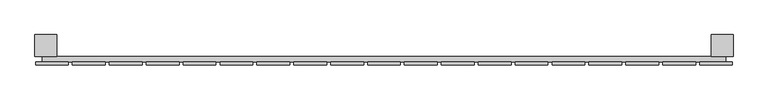
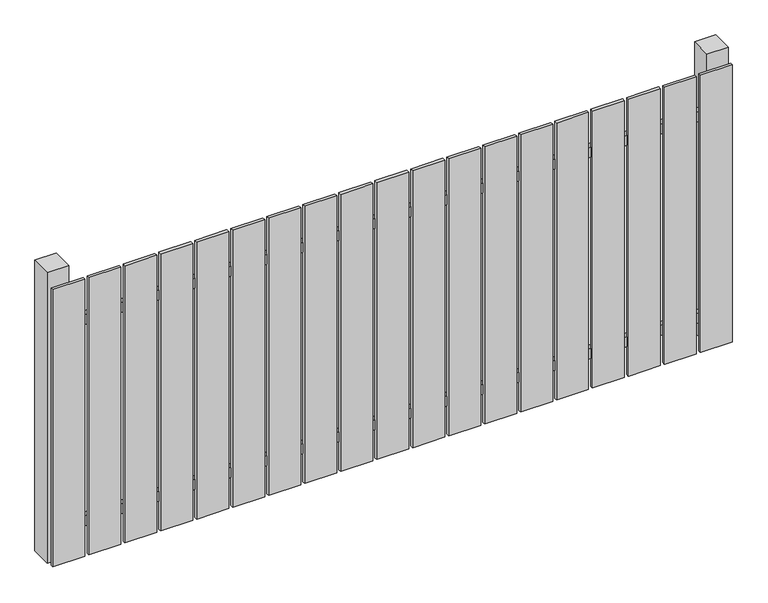
"""IFC4 building model written with IfcOpenShell, lengths in millimetres: railing geometry."""

from ifc_helpers import new_model, si_unit, frame, origin, origin_with_axes, place, context, project, spatial, polyline, outline, extrude, source, transform, mapped, element, save


def railing_70a330a4(model_context):
    return source(origin(), model_context, "Body", "SweptSolid", [
        extrude(outline(polyline([(6087.4299228, -99439.0267127), (6087.4299228, -99419.0267127), (8587.4299228, -99419.0267127), (8587.4299228, -99439.0267127), (6087.4299228, -99439.0267127)])), frame((0.0, 0.0, 110.0), z_axis=(0.0, 0.0, 1.0), x_axis=(1.0, 0.0, 0.0)), (0.0, 0.0, 1.0), 40.0),
        extrude(outline(polyline([(6087.4299228, -99439.0267127), (6087.4299228, -99419.0267127), (8587.4299228, -99419.0267127), (8587.4299228, -99439.0267127), (6087.4299228, -99439.0267127)])), frame((0.0, 0.0, 910.0), z_axis=(0.0, 0.0, 1.0), x_axis=(1.0, 0.0, 0.0)), (0.0, 0.0, 1.0), 40.0),
        extrude(outline(polyline([(8492.4299228, -99450.5267127), (8492.4299228, -99439.5267127), (8612.4299228, -99439.5267127), (8612.4299228, -99450.5267127), (8492.4299228, -99450.5267127)])), origin_with_axes(), (0.0, 0.0, 1.0), 1100.0),
        extrude(outline(polyline([(8357.4299228, -99450.5267127), (8357.4299228, -99439.5267127), (8477.4299228, -99439.5267127), (8477.4299228, -99450.5267127), (8357.4299228, -99450.5267127)])), origin_with_axes(), (0.0, 0.0, 1.0), 1100.0),
        extrude(outline(polyline([(8222.4299228, -99450.5267127), (8222.4299228, -99439.5267127), (8342.4299228, -99439.5267127), (8342.4299228, -99450.5267127), (8222.4299228, -99450.5267127)])), origin_with_axes(), (0.0, 0.0, 1.0), 1100.0),
        extrude(outline(polyline([(8087.4299228, -99450.5267127), (8087.4299228, -99439.5267127), (8207.4299228, -99439.5267127), (8207.4299228, -99450.5267127), (8087.4299228, -99450.5267127)])), origin_with_axes(), (0.0, 0.0, 1.0), 1100.0),
        extrude(outline(polyline([(7952.4299228, -99450.5267127), (7952.4299228, -99439.5267127), (8072.4299228, -99439.5267127), (8072.4299228, -99450.5267127), (7952.4299228, -99450.5267127)])), origin_with_axes(), (0.0, 0.0, 1.0), 1100.0),
        extrude(outline(polyline([(7817.4299228, -99450.5267127), (7817.4299228, -99439.5267127), (7937.4299228, -99439.5267127), (7937.4299228, -99450.5267127), (7817.4299228, -99450.5267127)])), origin_with_axes(), (0.0, 0.0, 1.0), 1100.0),
        extrude(outline(polyline([(7682.4299228, -99450.5267127), (7682.4299228, -99439.5267127), (7802.4299228, -99439.5267127), (7802.4299228, -99450.5267127), (7682.4299228, -99450.5267127)])), origin_with_axes(), (0.0, 0.0, 1.0), 1100.0),
        extrude(outline(polyline([(7547.4299228, -99450.5267127), (7547.4299228, -99439.5267127), (7667.4299228, -99439.5267127), (7667.4299228, -99450.5267127), (7547.4299228, -99450.5267127)])), origin_with_axes(), (0.0, 0.0, 1.0), 1100.0),
        extrude(outline(polyline([(7412.4299228, -99450.5267127), (7412.4299228, -99439.5267127), (7532.4299228, -99439.5267127), (7532.4299228, -99450.5267127), (7412.4299228, -99450.5267127)])), origin_with_axes(), (0.0, 0.0, 1.0), 1100.0),
        extrude(outline(polyline([(7277.4299228, -99450.5267127), (7277.4299228, -99439.5267127), (7397.4299228, -99439.5267127), (7397.4299228, -99450.5267127), (7277.4299228, -99450.5267127)])), origin_with_axes(), (0.0, 0.0, 1.0), 1100.0),
        extrude(outline(polyline([(7142.4299228, -99450.5267127), (7142.4299228, -99439.5267127), (7262.4299228, -99439.5267127), (7262.4299228, -99450.5267127), (7142.4299228, -99450.5267127)])), origin_with_axes(), (0.0, 0.0, 1.0), 1100.0),
        extrude(outline(polyline([(7007.4299228, -99450.5267127), (7007.4299228, -99439.5267127), (7127.4299228, -99439.5267127), (7127.4299228, -99450.5267127), (7007.4299228, -99450.5267127)])), origin_with_axes(), (0.0, 0.0, 1.0), 1100.0),
        extrude(outline(polyline([(6872.4299228, -99450.5267127), (6872.4299228, -99439.5267127), (6992.4299228, -99439.5267127), (6992.4299228, -99450.5267127), (6872.4299228, -99450.5267127)])), origin_with_axes(), (0.0, 0.0, 1.0), 1100.0),
        extrude(outline(polyline([(6737.4299228, -99450.5267127), (6737.4299228, -99439.5267127), (6857.4299228, -99439.5267127), (6857.4299228, -99450.5267127), (6737.4299228, -99450.5267127)])), origin_with_axes(), (0.0, 0.0, 1.0), 1100.0),
        extrude(outline(polyline([(6602.4299228, -99450.5267127), (6602.4299228, -99439.5267127), (6722.4299228, -99439.5267127), (6722.4299228, -99450.5267127), (6602.4299228, -99450.5267127)])), origin_with_axes(), (0.0, 0.0, 1.0), 1100.0),
        extrude(outline(polyline([(6467.4299228, -99450.5267127), (6467.4299228, -99439.5267127), (6587.4299228, -99439.5267127), (6587.4299228, -99450.5267127), (6467.4299228, -99450.5267127)])), origin_with_axes(), (0.0, 0.0, 1.0), 1100.0),
        extrude(outline(polyline([(6332.4299228, -99450.5267127), (6332.4299228, -99439.5267127), (6452.4299228, -99439.5267127), (6452.4299228, -99450.5267127), (6332.4299228, -99450.5267127)])), origin_with_axes(), (0.0, 0.0, 1.0), 1100.0),
        extrude(outline(polyline([(6197.4299228, -99450.5267127), (6197.4299228, -99439.5267127), (6317.4299228, -99439.5267127), (6317.4299228, -99450.5267127), (6197.4299228, -99450.5267127)])), origin_with_axes(), (0.0, 0.0, 1.0), 1100.0),
        extrude(outline(polyline([(6062.4299228, -99450.5267127), (6062.4299228, -99439.5267127), (6182.4299228, -99439.5267127), (6182.4299228, -99450.5267127), (6062.4299228, -99450.5267127)])), origin_with_axes(), (0.0, 0.0, 1.0), 1100.0),
        extrude(outline(polyline([(8534.9299228, -99339.0267127), (8614.9299228, -99339.0267127), (8614.9299228, -99419.0267127), (8534.9299228, -99419.0267127), (8534.9299228, -99339.0267127)])), frame((0.0, 0.0, -4.0), z_axis=(0.0, 0.0, 1.0), x_axis=(1.0, 0.0, 0.0)), (0.0, 0.0, 1.0), 1154.0),
        extrude(outline(polyline([(6059.9299228, -99339.0267127), (6139.9299228, -99339.0267127), (6139.9299228, -99419.0267127), (6059.9299228, -99419.0267127), (6059.9299228, -99339.0267127)])), frame((0.0, 0.0, -4.0), z_axis=(0.0, 0.0, 1.0), x_axis=(1.0, 0.0, 0.0)), (0.0, 0.0, 1.0), 1154.0),
    ])


if __name__ == "__main__":
    model = new_model("IFC4")
    model_context = context("Model", 3, world=origin())
    ifc_project = project(units=[si_unit("LENGTHUNIT", "METRE", prefix="MILLI")], contexts=[model_context])
    site = spatial("IfcSite", under=ifc_project)
    building = spatial("IfcBuilding", under=site)
    placement = place(None, origin())
    railing_shape = railing_70a330a4(model_context)
    element("IfcRailing", 1, at=placement, inside=building, context=model_context, shape_type="MappedRepresentation", body=[
        mapped(railing_shape, transform((0.0, 0.0, 0.0), x_axis=(1.0, 0.0, 0.0), y_axis=(0.0, 1.0, 0.0), z_axis=(0.0, 0.0, 1.0))),
    ])
    save(model, "model.ifc")
